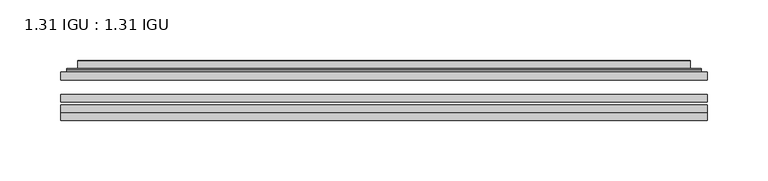
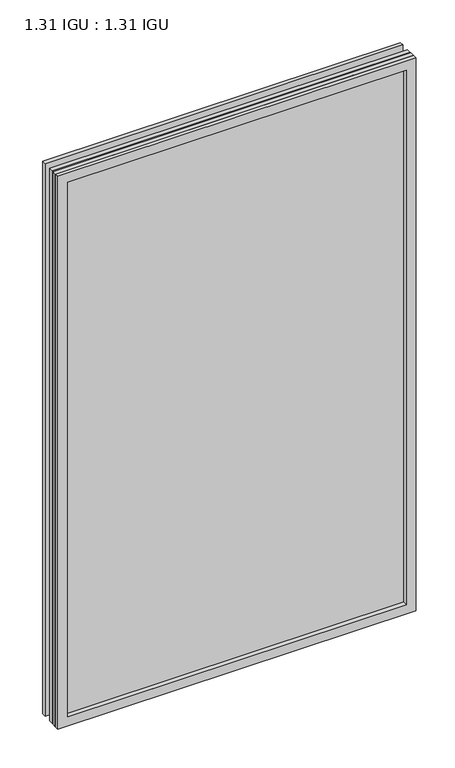
"""IFC4 building model written with IfcOpenShell, lengths in millimetres: plate geometry, 1.31 IGU : 1.31 IGU."""

import ifcopenshell
import ifcopenshell.guid

model = None  # the IFC model being written
_history = None  # IfcOwnerHistory: only IFC2X3 demands one
_inside = {}  # id of a spatial element -> (the spatial element, [elements in it])
_under = {}  # id of a project, library or spatial element -> (it, [spatial elements below it])
_declared = {}  # id of a project -> (the project, [libraries it declares])
_typed = {}  # id of a type object -> (the type object, [elements of that type])
_made_of = {}  # id of a material, layer set ... -> (it, [elements and type objects made of it])


def new_model(schema):
    """Start an empty IFC model of exactly this schema.

    Asked for "IFC4X3", IfcOpenShell would pick the latest addendum, in which some entities
    have other attributes; the version numbers below select the first issue.
    IFC2X3 requires an IfcOwnerHistory on every rooted entity: one is made here for all.
    """
    global model, _history
    if schema == "IFC4X3":
        model = ifcopenshell.file(schema_version=(4, 3, 0, 0))
    else:
        model = ifcopenshell.file(schema=schema)
    _inside.clear()
    _under.clear()
    _declared.clear()
    _typed.clear()
    _made_of.clear()
    _history = None
    if model.schema == "IFC2X3":
        org = make("IfcOrganization", Name="unknown")
        user = make(
            "IfcPersonAndOrganization",
            ThePerson=make("IfcPerson", FamilyName="unknown"),
            TheOrganization=org,
        )
        app = make(
            "IfcApplication",
            ApplicationDeveloper=org,
            Version="unknown",
            ApplicationFullName="unknown",
            ApplicationIdentifier="unknown",
        )
        _history = make(
            "IfcOwnerHistory",
            OwningUser=user,
            OwningApplication=app,
            ChangeAction="ADDED",
            CreationDate=0,
        )
    return model


def make(cls, **values):
    """One entity of the class cls with the attributes given. An attribute that is None is left unset."""
    return model.create_entity(
        cls, **{name: value for name, value in values.items() if value is not None}
    )


def rooted(cls, **values):
    """An entity with a GlobalId (a new one), such as an element, a storey or a relation."""
    return make(cls, GlobalId=ifcopenshell.guid.new(), OwnerHistory=_history, **values)


def si_unit(unit_type, name, prefix=None):
    """IfcSIUnit, for example si_unit("LENGTHUNIT", "METRE", prefix="MILLI")."""
    return make("IfcSIUnit", UnitType=unit_type, Prefix=prefix, Name=name)


def assignment(units):
    """IfcUnitAssignment: the units of a project."""
    return None if units is None else make("IfcUnitAssignment", Units=units)


def point(xyz):
    """IfcCartesianPoint."""
    return None if xyz is None else make("IfcCartesianPoint", Coordinates=xyz)


def direction(xyz):
    """IfcDirection."""
    return None if xyz is None else make("IfcDirection", DirectionRatios=xyz)


def frame(location, z_axis=None, x_axis=None):
    """IfcAxis2Placement3D, a coordinate frame: its origin and axes. An axis left out is left unset."""
    return make(
        "IfcAxis2Placement3D",
        Location=point(location),
        Axis=direction(z_axis),
        RefDirection=direction(x_axis),
    )


def origin():
    """The frame at (0, 0, 0) with its axes left unset."""
    return frame((0.0, 0.0, 0.0))


def place(relative_to, where):
    """IfcLocalPlacement: puts the frame where relative to a parent placement (None: the world)."""
    return make(
        "IfcLocalPlacement", PlacementRelTo=relative_to, RelativePlacement=where
    )


def context(
    kind, dimensions, precision=None, world=None, true_north=None, identifier=None
):
    """IfcGeometricRepresentationContext, for example the 3D "Model" context."""
    return make(
        "IfcGeometricRepresentationContext",
        ContextIdentifier=identifier,
        ContextType=kind,
        CoordinateSpaceDimension=dimensions,
        Precision=precision,
        WorldCoordinateSystem=world,
        TrueNorth=true_north,
    )


def project(units=None, contexts=None):
    """IfcProject with its units and contexts."""
    return rooted(
        "IfcProject",
        Name="project",
        RepresentationContexts=contexts,
        UnitsInContext=assignment(units),
    )


def spatial(cls, under=None, at=None, **own):
    """A site, building, storey or space (cls), placed at a placement, below another one or the project."""
    s = rooted(cls, ObjectPlacement=at, **own)
    if under is not None:
        _under.setdefault(under.id(), (under, []))[1].append(s)
    return s


def polyline(points):
    """IfcPolyline through the points."""
    return make("IfcPolyline", Points=[point(p) for p in points])


def ellipse_curve(where, semi_axis1, semi_axis2):
    """IfcEllipse in the frame where."""
    return make(
        "IfcEllipse", Position=where, SemiAxis1=semi_axis1, SemiAxis2=semi_axis2
    )


def outline(outer, holes=None, kind="AREA"):
    """IfcArbitraryClosedProfileDef: a profile drawn as a closed curve; with holes, ...WithVoids."""
    if holes is None:
        return make("IfcArbitraryClosedProfileDef", ProfileType=kind, OuterCurve=outer)
    return make(
        "IfcArbitraryProfileDefWithVoids",
        ProfileType=kind,
        OuterCurve=outer,
        InnerCurves=holes,
    )


def extrude(swept, where, along, depth):
    """IfcExtrudedAreaSolid: the profile swept, set in the frame where, extruded along a direction by depth."""
    return make(
        "IfcExtrudedAreaSolid",
        SweptArea=swept,
        Position=where,
        ExtrudedDirection=direction(along),
        Depth=depth,
    )


def faces_of(points, faces, orient=None, outer=None):
    """IfcFace entities. A face is a list of loops; a loop is a list of indices into points, from 0.

    orient and outer hold one flag for each loop. By default every Orientation is true, the
    first loop of a face is its IfcFaceOuterBound and the others are IfcFaceBound.
    """
    made = []
    for i, loops in enumerate(faces):
        bounds = []
        for j, loop in enumerate(loops):
            is_outer = j == 0 if outer is None else outer[i][j]
            bounds.append(
                make(
                    "IfcFaceOuterBound" if is_outer else "IfcFaceBound",
                    Bound=make("IfcPolyLoop", Polygon=[points[k] for k in loop]),
                    Orientation=True if orient is None else orient[i][j],
                )
            )
        made.append(make("IfcFace", Bounds=bounds))
    return made


def faceted_brep(points, faces, orient=None, outer=None, voids=None):
    """IfcFacetedBrep: a solid bounded by flat faces; with voids (closed shells), ...WithVoids."""
    shared = [point(p) for p in points]
    hull = make("IfcClosedShell", CfsFaces=faces_of(shared, faces, orient, outer))
    if voids is None:
        return make("IfcFacetedBrep", Outer=hull)
    return make(
        "IfcFacetedBrepWithVoids",
        Outer=hull,
        Voids=[
            make(cls, CfsFaces=faces_of(shared, fs, o, b)) for cls, fs, o, b in voids
        ],
    )


def shape(context_of_items, identifier, shape_type, items):
    """IfcShapeRepresentation: the items that make up one representation, for example the "Body"."""
    return make(
        "IfcShapeRepresentation",
        ContextOfItems=context_of_items,
        RepresentationIdentifier=identifier,
        RepresentationType=shape_type,
        Items=items,
    )


def source(mapping_origin, context_of_items, identifier, shape_type, items):
    """IfcRepresentationMap: a shape defined once, which mapped items show again and again."""
    return make(
        "IfcRepresentationMap",
        MappingOrigin=mapping_origin,
        MappedRepresentation=shape(context_of_items, identifier, shape_type, items),
    )


def transform(
    local_origin,
    x_axis=None,
    y_axis=None,
    z_axis=None,
    scale=None,
    scale2=None,
    scale3=None,
    uniform=True,
):
    """IfcCartesianTransformationOperator3D, or its non-uniform kind. x_axis, y_axis, z_axis: its Axis1, 2, 3."""
    if uniform:
        return make(
            "IfcCartesianTransformationOperator3D",
            Axis1=direction(x_axis),
            Axis2=direction(y_axis),
            LocalOrigin=point(local_origin),
            Scale=scale,
            Axis3=direction(z_axis),
        )
    return make(
        "IfcCartesianTransformationOperator3DnonUniform",
        Axis1=direction(x_axis),
        Axis2=direction(y_axis),
        LocalOrigin=point(local_origin),
        Scale=scale,
        Axis3=direction(z_axis),
        Scale2=scale2,
        Scale3=scale3,
    )


def mapped(mapping_source, mapping_target):
    """IfcMappedItem: shows the shape of a source again, moved by a transform."""
    return make(
        "IfcMappedItem", MappingSource=mapping_source, MappingTarget=mapping_target
    )


def made_of(thing, what):
    """Note that an element or type object is made of a material, layer set ...; save() writes the relation."""
    if what is not None:
        _made_of.setdefault(what.id(), (what, []))[1].append(thing)
    return thing


def element(
    cls,
    number,
    at=None,
    inside=None,
    cuts=None,
    type_object=None,
    material=None,
    context=None,
    identifier="Body",
    shape_type=None,
    held_by="IfcProductDefinitionShape",
    body=None,
    shapes=None,
    **own,
):
    """One element of the class cls, such as IfcWall. Its Tag is "e" and its number.

    at: its placement. inside: the storey or other place that contains it. cuts: it is an
    opening in that element (IfcRelVoidsElement). A single representation is given by context,
    identifier, shape_type and body (its items); several are given by shapes. held_by: the class
    of the entity that holds the representations. save() writes the other relations.
    """
    e = rooted(cls, Tag="e%d" % number, ObjectPlacement=at, **own)
    if body is not None:
        shapes = [shape(context, identifier, shape_type, body)]
    if shapes is not None:
        e.Representation = make(held_by, Representations=shapes)
    if inside is not None:
        _inside.setdefault(inside.id(), (inside, []))[1].append(e)
    if cuts is not None:
        rooted(
            "IfcRelVoidsElement", RelatingBuildingElement=cuts, RelatedOpeningElement=e
        )
    if type_object is not None:
        _typed.setdefault(type_object.id(), (type_object, []))[1].append(e)
    return made_of(e, material)


def aggregate(whole, parts):
    """IfcRelAggregates: a whole, such as a stair, and the parts it consists of."""
    return rooted("IfcRelAggregates", RelatingObject=whole, RelatedObjects=parts)


def save(model, path):
    """Write the relations noted so far, then the file.

    IfcRelAggregates (storeys below a building ...), IfcRelContainedInSpatialStructure (elements
    in a storey), IfcRelDefinesByType, IfcRelAssociatesMaterial and IfcRelDeclares: one each for
    every whole, place, type object, material and project.
    """
    for whole, parts in _under.values():
        aggregate(whole, parts)
    for where, things in _inside.values():
        rooted(
            "IfcRelContainedInSpatialStructure",
            RelatedElements=things,
            RelatingStructure=where,
        )
    for kind, things in _typed.values():
        rooted("IfcRelDefinesByType", RelatedObjects=things, RelatingType=kind)
    for what, things in _made_of.values():
        rooted("IfcRelAssociatesMaterial", RelatedObjects=things, RelatingMaterial=what)
    for by, libraries in _declared.values():
        rooted("IfcRelDeclares", RelatingContext=by, RelatedDefinitions=libraries)
    model.write(path)


def plane_surface(at):
    """IfcPlane: the flat surface through the origin of the frame at, square to its z axis."""
    return make("IfcPlane", Position=at)


def cylinder_surface(at, radius):
    """IfcCylindricalSurface: all points at the distance radius from the z axis of the frame at."""
    return make("IfcCylindricalSurface", Position=at, Radius=radius)


def advanced_brep(points, edges, surfaces, faces):
    """IfcAdvancedBrep: a solid bounded by faces that lie on surfaces and meet in shared edges.

    An edge is (start, end): straight between two places in points (the first is 0);
    or (start, end, curve); or (start, end, curve, False) where it runs against its curve.
    A face is (place in surfaces, loops), or (place, loops, False) where it looks against
    its surface's normal. A loop lists edges by number (the first is 1), with a minus sign
    where the edge is run from its end to its start. The first loop is the outer one.
    """
    corners = [point(p) for p in points]
    vertices = [make("IfcVertexPoint", VertexGeometry=c) for c in corners]
    made = []
    for start, end, *more in edges:
        made.append(
            make(
                "IfcEdgeCurve",
                EdgeStart=vertices[start],
                EdgeEnd=vertices[end],
                EdgeGeometry=more[0] if more else make("IfcPolyline", Points=[corners[start], corners[end]]),
                SameSense=more[1] if len(more) > 1 else True,
            )
        )
    hull = []
    for where, loops, *sense in faces:
        bounds = []
        for j, loop in enumerate(loops):
            ring = [make("IfcOrientedEdge", EdgeElement=made[abs(k) - 1], Orientation=k > 0) for k in loop]
            bounds.append(
                make(
                    "IfcFaceOuterBound" if j == 0 else "IfcFaceBound",
                    Bound=make("IfcEdgeLoop", EdgeList=ring),
                    Orientation=True,
                )
            )
        hull.append(make("IfcAdvancedFace", Bounds=bounds, FaceSurface=surfaces[where], SameSense=sense[0] if sense else True))
    return make("IfcAdvancedBrep", Outer=make("IfcClosedShell", CfsFaces=hull))


def plate_1_31_igu_1_31_igu_a285de39(model_context):
    return source(origin(), model_context, "Body", "SolidModel", [
        extrude(outline(polyline([(266.714175, -63.59525), (266.714175, -69.94525), (-266.7, -69.94525), (-266.7, -63.59525), (266.714175, -63.59525)])), frame((0.0, 0.0, -14.2875), z_axis=(0.0, 0.0, 1.0), x_axis=(1.0, 0.0, 0.0)), (0.0, 0.0, 1.0), 869.9537979),
        extrude(outline(polyline([(-266.7, -78.58125), (-266.7, -72.230745), (266.714175, -72.230745), (266.714175, -78.58125), (-266.7, -78.58125)])), frame((0.0, 0.0, -14.2875), z_axis=(0.0, 0.0, 1.0), x_axis=(1.0, 0.0, 0.0)), (0.0, 0.0, 1.0), 869.9537979),
        extrude(outline(polyline([(266.714175, -45.25645), (266.714175, -51.60645), (-266.7, -51.60645), (-266.7, -45.25645), (266.714175, -45.25645)])), frame((0.0, 0.0, -14.2875), z_axis=(0.0, 0.0, 1.0), x_axis=(1.0, 0.0, 0.0)), (0.0, 0.0, 1.0), 869.9537979),
        faceted_brep([(-266.7127, -84.93125, 855.6752), (-266.7127, -78.58125, 855.6752), (-266.7127, -78.58125, -14.3002), (-266.7127, -84.93125, -14.3002), (266.7127, -78.58125, -14.3002), (266.7127, -84.93125, -14.3002), (266.7127, -78.58125, 855.6752), (266.7127, -84.93125, 855.6752), (-251.5147559, -78.58125, 0.8977441), (251.5147559, -78.58125, 0.8977441), (251.5147559, -78.58125, 840.4772559), (-251.5147559, -78.58125, 840.4772559), (-252.4071902, -84.93125, 841.3696902), (252.4071902, -84.93125, 841.3696902), (252.4071902, -84.93125, 0.0053098), (-252.4071902, -84.93125, 0.0053098)], [[[0, 1, 2, 3]], [[3, 2, 4, 5]], [[5, 4, 6, 7]], [[1, 6, 4, 2], [8, 9, 10, 11]], [[7, 6, 1, 0]], [[3, 5, 7, 0], [12, 13, 14, 15]], [[11, 12, 15, 8]], [[8, 15, 14, 9]], [[9, 14, 13, 10]], [[10, 13, 12, 11]]]),
        advanced_brep(
        [(-259.458719, -45.25645, 848.4212191), (-261.8129244, -43.2667833, 850.7754244), (-261.8129244, -43.2667833, -9.4004244), (-259.458719, -45.25645, -7.046219), (-250.3843939, -41.416413, 839.3468939), (-245.4495621, -45.25645, 834.4120621), (-245.4495621, -45.25645, 6.9629379), (-250.3843939, -41.416413, 2.0281061), (-251.4164217, -36.0191819, 840.3789217), (-251.4164217, -36.0191819, 0.9960783), (-252.4070784, -35.6202069, 841.3695784), (-252.4070784, -35.6202069, 0.0054216), (-252.4070784, -42.08145, 841.3695784), (-252.4070784, -42.08145, 0.0054216), (-260.8111349, -42.08145, 849.7736349), (-260.8111349, -42.08145, -8.3986349), (261.8129244, -43.2667833, -9.4004244), (259.458719, -45.25645, -7.046219), (245.4495621, -45.25645, 6.9629379), (250.3843939, -41.416413, 2.0281061), (251.4164217, -36.0191819, 0.9960783), (252.4070784, -35.6202069, 0.0054216), (252.4070784, -42.08145, 0.0054216), (260.8111349, -42.08145, -8.3986349), (261.8129244, -43.2667833, 850.7754244), (259.458719, -45.25645, 848.4212191), (245.4495621, -45.25645, 834.4120621), (250.3843939, -41.416413, 839.3468939), (251.4164217, -36.0191819, 840.3789217), (252.4070784, -35.6202069, 841.3695784), (252.4070784, -42.08145, 841.3695784), (260.8111349, -42.08145, 849.7736349)],
        [
            (0, 1, ellipse_curve(frame((-259.458719, -42.86885, 848.4212191), z_axis=(-0.7071067811865475, 0.0, -0.7071067811865475), x_axis=(-0.7071067811865474, 0.0, 0.7071067811865476)), 3.3765763, 2.3876)),
            (1, 2),
            (2, 3, ellipse_curve(frame((-259.458719, -42.86885, -7.046219), z_axis=(-0.7071067811865475, 0.0, 0.7071067811865475), x_axis=(0.7071067811865474, 0.0, 0.7071067811865476)), 3.3765763, 2.3876)),
            (3, 0),
            (4, 5),
            (5, 6),
            (6, 7),
            (7, 4),
            (8, 4),
            (7, 9),
            (9, 8),
            (10, 8, ellipse_curve(frame((-252.0401219, -36.1384423, 841.0026219), z_axis=(-0.7071067811865475, 0.0, -0.7071067811865475), x_axis=(-0.7071067811865474, 0.0, 0.7071067811865476)), 0.8980256, 0.635)),
            (9, 11, ellipse_curve(frame((-252.0401219, -36.1384423, 0.3723781), z_axis=(-0.7071067811865475, 0.0, 0.7071067811865475), x_axis=(0.7071067811865474, 0.0, 0.7071067811865476)), 0.8980256, 0.635)),
            (11, 10),
            (12, 10),
            (11, 13),
            (13, 12),
            (1, 14, ellipse_curve(frame((-260.8111349, -43.09745, 849.7736349), z_axis=(-0.7071067811865475, 0.0, -0.7071067811865475), x_axis=(-0.7071067811865474, 0.0, 0.7071067811865476)), 1.436841, 1.016)),
            (14, 15),
            (15, 2, ellipse_curve(frame((-260.8111349, -43.09745, -8.3986349), z_axis=(-0.7071067811865475, 0.0, 0.7071067811865475), x_axis=(0.7071067811865474, 0.0, 0.7071067811865476)), 1.436841, 1.016)),
            (2, 16),
            (16, 17, ellipse_curve(frame((259.458719, -42.86885, -7.046219), z_axis=(-0.7071067811865475, 0.0, -0.7071067811865475), x_axis=(-0.7071067811865476, 0.0, 0.7071067811865474)), 3.3765763, 2.3876)),
            (17, 3),
            (6, 18),
            (18, 19),
            (19, 7),
            (19, 20),
            (20, 9),
            (20, 21, ellipse_curve(frame((252.0401219, -36.1384423, 0.3723781), z_axis=(-0.7071067811865475, 0.0, -0.7071067811865475), x_axis=(-0.7071067811865476, 0.0, 0.7071067811865474)), 0.8980256, 0.635)),
            (21, 11),
            (21, 22),
            (22, 13),
            (15, 23),
            (23, 16, ellipse_curve(frame((260.8111349, -43.09745, -8.3986349), z_axis=(-0.7071067811865475, 0.0, -0.7071067811865475), x_axis=(-0.7071067811865476, 0.0, 0.7071067811865474)), 1.436841, 1.016)),
            (16, 24),
            (24, 25, ellipse_curve(frame((259.458719, -42.86885, 848.4212191), z_axis=(0.7071067811865475, 0.0, -0.7071067811865475), x_axis=(-0.7071067811865474, 0.0, -0.7071067811865476)), 3.3765763, 2.3876)),
            (25, 17),
            (18, 26),
            (26, 27),
            (27, 19),
            (27, 28),
            (28, 20),
            (28, 29, ellipse_curve(frame((252.0401219, -36.1384423, 841.0026219), z_axis=(0.7071067811865475, 0.0, -0.7071067811865475), x_axis=(-0.7071067811865474, 0.0, -0.7071067811865476)), 0.8980256, 0.635)),
            (29, 21),
            (29, 30),
            (30, 22),
            (23, 31),
            (31, 24, ellipse_curve(frame((260.8111349, -43.09745, 849.7736349), z_axis=(0.7071067811865475, 0.0, -0.7071067811865475), x_axis=(-0.7071067811865474, 0.0, -0.7071067811865476)), 1.436841, 1.016)),
            (24, 1),
            (0, 25),
            (5, 26),
            (4, 27),
            (8, 28),
            (10, 29),
            (12, 30),
            (14, 31),
        ],
        [
            cylinder_surface(frame((-259.458719, -42.86885, 873.125), z_axis=(0.0, 0.0, 1.0), x_axis=(-1.0, 0.0, 0.0)), 2.3876),
            plane_surface(frame((-245.4495621, -45.25645, 834.4120621), z_axis=(0.6141233906514794, 0.7892100234124821, 0.0), x_axis=(0.0, 0.0, -1.0))),
            plane_surface(frame((-250.3843939, -41.416413, 839.3468939), z_axis=(0.9822050625507729, 0.18781164793386076, 0.0), x_axis=(0.0, 0.0, -1.0))),
            cylinder_surface(frame((-252.0401219, -36.1384423, 873.125), z_axis=(0.0, 0.0, 1.0), x_axis=(-1.0, 0.0, 0.0)), 0.635),
            plane_surface(frame((-252.4070784, -35.6202069, 841.3695784), z_axis=(-1.0, 0.0, 0.0), x_axis=(0.0, 0.0, -1.0))),
            cylinder_surface(frame((-260.8111349, -43.09745, 873.125), z_axis=(0.0, 0.0, 1.0), x_axis=(-1.0, 0.0, 0.0)), 1.016),
            cylinder_surface(frame((-284.1625, -42.86885, -7.046219), z_axis=(-1.0, 0.0, 0.0), x_axis=(0.0, 0.0, -1.0)), 2.3876),
            plane_surface(frame((-245.4495621, -45.25645, 6.9629379), z_axis=(0.0, 0.7892100234124841, 0.6141233906514768), x_axis=(1.0, 0.0, 0.0))),
            plane_surface(frame((-250.3843939, -41.416413, 2.0281061), z_axis=(0.0, 0.18781164793386393, 0.9822050625507723), x_axis=(1.0, 0.0, 0.0))),
            cylinder_surface(frame((-284.1625, -36.1384423, 0.3723781), z_axis=(-1.0, 0.0, 0.0), x_axis=(0.0, 0.0, -1.0)), 0.635),
            plane_surface(frame((-252.4070784, -35.6202069, 0.0054216), z_axis=(0.0, 0.0, -1.0), x_axis=(1.0, 0.0, 0.0))),
            cylinder_surface(frame((-284.1625, -43.09745, -8.3986349), z_axis=(-1.0, 0.0, 0.0), x_axis=(0.0, 0.0, -1.0)), 1.016),
            cylinder_surface(frame((259.458719, -42.86885, -31.75), z_axis=(0.0, 0.0, -1.0), x_axis=(1.0, 0.0, 0.0)), 2.3876),
            plane_surface(frame((245.4495621, -45.25645, 6.9629379), z_axis=(-0.6141233906514743, 0.7892100234124861, 0.0), x_axis=(0.0, 0.0, 1.0))),
            plane_surface(frame((250.3843939, -41.416413, 2.0281061), z_axis=(-0.9822050625507718, 0.1878116479338671, 0.0), x_axis=(0.0, 0.0, 1.0))),
            cylinder_surface(frame((252.0401219, -36.1384423, -31.75), z_axis=(0.0, 0.0, -1.0), x_axis=(1.0, 0.0, 0.0)), 0.635),
            plane_surface(frame((252.4070784, -35.6202069, 0.0054216), z_axis=(1.0, 0.0, 0.0), x_axis=(0.0, 0.0, 1.0))),
            cylinder_surface(frame((260.8111349, -43.09745, -31.75), z_axis=(0.0, 0.0, -1.0), x_axis=(1.0, 0.0, 0.0)), 1.016),
            cylinder_surface(frame((284.1625, -42.86885, 848.4212191), z_axis=(1.0, 0.0, 0.0), x_axis=(0.0, 0.0, 1.0)), 2.3876),
            plane_surface(frame((259.458719, -45.25645, 848.4212191), z_axis=(0.0, -1.0, 0.0), x_axis=(-1.0, 0.0, 0.0))),
            plane_surface(frame((245.4495621, -45.25645, 834.4120621), z_axis=(0.0, 0.7892100234124841, -0.6141233906514768), x_axis=(-1.0, 0.0, 0.0))),
            plane_surface(frame((250.3843939, -41.416413, 839.3468939), z_axis=(0.0, 0.18781164793386393, -0.9822050625507723), x_axis=(-1.0, 0.0, 0.0))),
            cylinder_surface(frame((284.1625, -36.1384423, 841.0026219), z_axis=(1.0, 0.0, 0.0), x_axis=(0.0, 0.0, 1.0)), 0.635),
            plane_surface(frame((252.4070784, -35.6202069, 841.3695784), z_axis=(0.0, 0.0, 1.0), x_axis=(-1.0, 0.0, 0.0))),
            plane_surface(frame((252.4070784, -42.08145, 841.3695784), z_axis=(0.0, 1.0, 0.0), x_axis=(-1.0, 0.0, 0.0))),
            cylinder_surface(frame((284.1625, -43.09745, 849.7736349), z_axis=(1.0, 0.0, 0.0), x_axis=(0.0, 0.0, 1.0)), 1.016),
        ],
        [
            (0, [[1, 2, 3, 4]]),
            (1, [[5, 6, 7, 8]]),
            (2, [[9, -8, 10, 11]]),
            (3, [[12, -11, 13, 14]]),
            (4, [[15, -14, 16, 17]]),
            (5, [[18, 19, 20, -2]]),
            (6, [[-3, 21, 22, 23]]),
            (7, [[-7, 24, 25, 26]]),
            (8, [[-10, -26, 27, 28]]),
            (9, [[-13, -28, 29, 30]]),
            (10, [[-16, -30, 31, 32]]),
            (11, [[-20, 33, 34, -21]]),
            (12, [[-22, 35, 36, 37]]),
            (13, [[-25, 38, 39, 40]]),
            (14, [[-27, -40, 41, 42]]),
            (15, [[-29, -42, 43, 44]]),
            (16, [[-31, -44, 45, 46]]),
            (17, [[-34, 47, 48, -35]]),
            (18, [[-36, 49, -1, 50]]),
            (19, [[-23, -37, -50, -4], [51, -38, -24, -6]]),
            (20, [[-39, -51, -5, 52]]),
            (21, [[-41, -52, -9, 53]]),
            (22, [[-43, -53, -12, 54]]),
            (23, [[-45, -54, -15, 55]]),
            (24, [[56, -47, -33, -19], [-32, -46, -55, -17]]),
            (25, [[-48, -56, -18, -49]]),
        ],
    ),
    ])


if __name__ == "__main__":
    model = new_model("IFC4")
    model_context = context("Model", 3, world=origin())
    ifc_project = project(units=[si_unit("LENGTHUNIT", "METRE", prefix="MILLI")], contexts=[model_context])
    site = spatial("IfcSite", under=ifc_project)
    building = spatial("IfcBuilding", under=site)
    placement = place(None, origin())
    plate_1_31_igu_1_31_igu_shape = plate_1_31_igu_1_31_igu_a285de39(model_context)
    element("IfcPlate", 1, ObjectType="1.31 IGU : 1.31 IGU", at=placement, inside=building, context=model_context, shape_type="MappedRepresentation", body=[
        mapped(plate_1_31_igu_1_31_igu_shape, transform((0.0, 0.0, 0.0), x_axis=(1.0, 0.0, 0.0), y_axis=(0.0, 1.0, 0.0), z_axis=(0.0, 0.0, 1.0))),
    ])
    save(model, "model.ifc")
